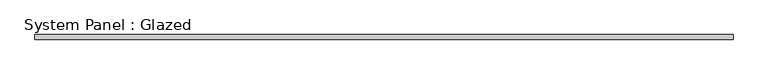
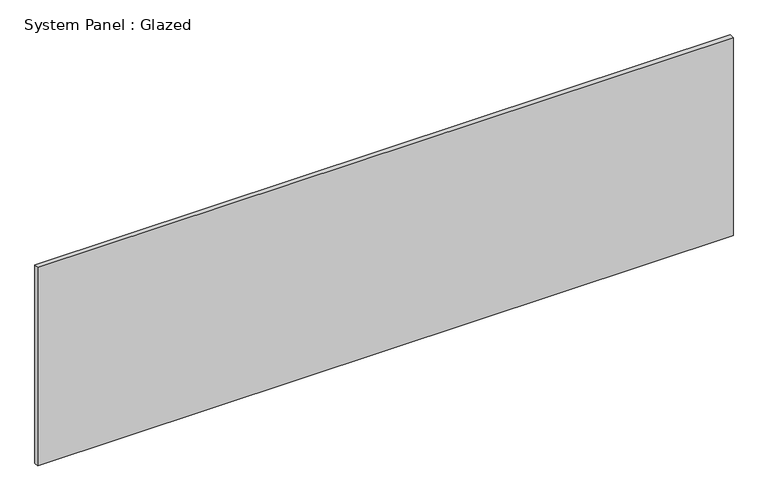
"""IFC4 building model written with IfcOpenShell, lengths in millimetres: plate geometry, System Panel : Glazed."""

from ifc_helpers import new_model, si_unit, origin, origin_with_axes, place, context, project, spatial, polyline, outline, extrude, source, transform, mapped, element, save


def system_panel_glazed_c76ba2ce(model_context):
    return source(origin(), model_context, "Body", "SweptSolid", [
        extrude(outline(polyline([(1916.956462, 19.05), (-1916.956462, 19.05), (-1916.956462, 44.45), (1916.956462, 44.45), (1916.956462, 19.05)])), origin_with_axes(), (0.0, 0.0, 1.0), 1155.7),
    ])


if __name__ == "__main__":
    model = new_model("IFC4")
    model_context = context("Model", 3, world=origin())
    ifc_project = project(units=[si_unit("LENGTHUNIT", "METRE", prefix="MILLI")], contexts=[model_context])
    site = spatial("IfcSite", under=ifc_project)
    building = spatial("IfcBuilding", under=site)
    placement = place(None, origin())
    system_panel_glazed_shape = system_panel_glazed_c76ba2ce(model_context)
    element("IfcPlate", 1, ObjectType="System Panel : Glazed", at=placement, inside=building, context=model_context, shape_type="MappedRepresentation", body=[
        mapped(system_panel_glazed_shape, transform((0.0, 0.0, 0.0), x_axis=(1.0, 0.0, 0.0), y_axis=(0.0, 1.0, 0.0), z_axis=(0.0, 0.0, 1.0))),
    ])
    save(model, "model.ifc")
